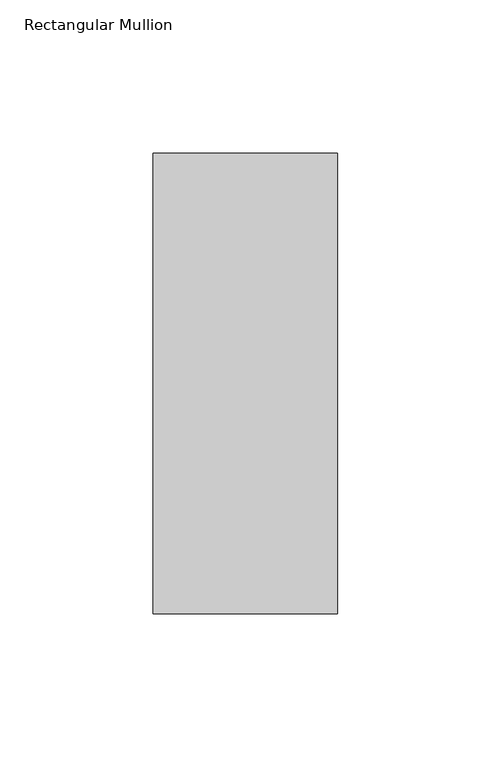
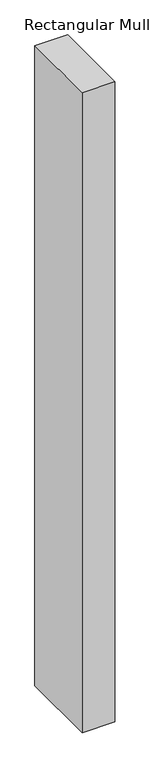
"""IFC4 building model written with IfcOpenShell, lengths in millimetres: member geometry, Rectangular Mullion."""

from ifc_helpers import new_model, si_unit, frame, origin, place, context, project, spatial, polyline, outline, extrude, source, transform, mapped, element, save


def rectangular_mullion_9845add9(model_context):
    return source(origin(), model_context, "Body", "SweptSolid", [
        extrude(outline(polyline([(0.0, 75.0), (0.0, -75.0), (-60.0, -75.0), (-60.0, 75.0), (0.0, 75.0)])), frame((0.0, 0.0, -1240.0), z_axis=(0.0, 0.0, 1.0), x_axis=(1.0, 0.0, 0.0)), (0.0, 0.0, 1.0), 1240.0),
    ])


if __name__ == "__main__":
    model = new_model("IFC4")
    model_context = context("Model", 3, world=origin())
    ifc_project = project(units=[si_unit("LENGTHUNIT", "METRE", prefix="MILLI")], contexts=[model_context])
    site = spatial("IfcSite", under=ifc_project)
    building = spatial("IfcBuilding", under=site)
    placement = place(None, origin())
    rectangular_mullion_shape = rectangular_mullion_9845add9(model_context)
    element("IfcMember", 1, ObjectType="Rectangular Mullion", at=placement, inside=building, context=model_context, shape_type="MappedRepresentation", body=[
        mapped(rectangular_mullion_shape, transform((0.0, 0.0, 0.0), x_axis=(1.0, 0.0, 0.0), y_axis=(0.0, 1.0, 0.0), z_axis=(0.0, 0.0, 1.0))),
    ])
    save(model, "model.ifc")
